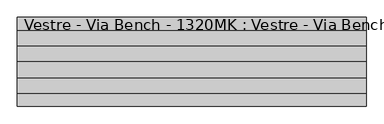
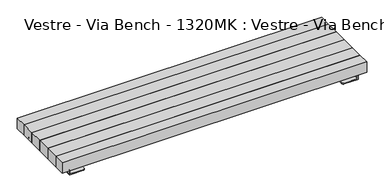
"""IFC4 building model written with IfcOpenShell, lengths in millimetres: furniture geometry, Vestre - Via Bench - 1320MK : Vestre - Via Bench - 1320MK."""

from ifc_helpers import new_model, si_unit, frame, origin, place, context, project, spatial, polyline, circle_curve, outline, extrude, source, transform, mapped, element, save
from ifc_brep_helpers import plane_surface, cylinder_surface, revolved_surface, advanced_brep


def vestre_via_bench_1320mk_vestre_via_bench_1320mk_e0580a3b(model_context):
    return source(origin(), model_context, "Body", "SolidModel", [
        extrude(outline(polyline([(1000.0, 0.0), (1000.0, -89.7651997), (-1000.0, -89.7651997), (-1000.0, 0.0), (1000.0, 0.0)])), frame((0.0, 0.0, 35.4441838), z_axis=(0.0, 0.0, 1.0), x_axis=(1.0, 0.0, 0.0)), (0.0, 0.0, 1.0), 72.0),
        extrude(outline(polyline([(1000.0, -89.7651997), (1000.0, -179.7651997), (-1000.0, -179.7651997), (-1000.0, -89.7651997), (1000.0, -89.7651997)])), frame((0.0, 0.0, 35.4441838), z_axis=(0.0, 0.0, 1.0), x_axis=(1.0, 0.0, 0.0)), (0.0, 0.0, 1.0), 72.0),
        extrude(outline(polyline([(1000.0, -179.7651997), (1000.0, -254.7651997), (-1000.0, -254.7651997), (-1000.0, -179.7651997), (1000.0, -179.7651997)])), frame((0.0, 0.0, 35.4441838), z_axis=(0.0, 0.0, 1.0), x_axis=(1.0, 0.0, 0.0)), (0.0, 0.0, 1.0), 72.0),
        advanced_brep(
        [(-856.6683314, -247.2000471, 5.0), (-846.6683314, -237.2000471, 5.0), (-846.6683314, 233.5, 5.0), (-856.6683314, 243.5, 5.0), (-944.1117586, 243.5, 5.0), (-944.1117586, -247.2000471, 5.0), (-856.6683314, 243.5, 0.0), (-846.6683314, 233.5, 0.0), (-846.6683314, -237.2000471, 0.0), (-856.6683314, -247.2000471, 0.0), (-944.1121369, -247.2000471, 0.0), (-944.1121369, 243.5, 0.0), (-949.9121369, 243.5, 5.8), (-949.9121369, 243.5, 29.6438055), (-950.7121369, 243.5, 30.4438055), (-979.9997479, 243.5, 30.4438055), (-979.9997479, 243.5, 35.4441838), (-950.7121369, 243.5, 35.4441838), (-944.9117586, 243.5, 29.6438055), (-944.9117586, 243.5, 5.8), (-944.9117586, -247.2000471, 5.8), (-944.9117586, -247.2000471, 29.6438055), (-950.7121369, -247.2000471, 35.4441838), (-979.9997479, -247.2000471, 35.4441838), (-979.9997479, -247.2000471, 30.4438055), (-950.7121369, -247.2000471, 30.4438055), (-949.9121369, -247.2000471, 29.6438055), (-949.9121369, -247.2000471, 5.8), (-950.7121369, 69.0931644, 35.4441838), (-950.7121369, 106.5067415, 35.4441838), (-950.7121369, 106.5067415, 30.4438055), (-950.7121369, 69.0931644, 30.4438055), (-950.7121369, 159.0931644, 35.4441838), (-950.7121369, 196.5067415, 35.4441838), (-950.7121369, 196.5067415, 30.4438055), (-950.7121369, 159.0931644, 30.4438055), (-950.7121369, -20.9068356, 35.4441838), (-950.7121369, 16.5067415, 35.4441838), (-950.7121369, 16.5067415, 30.4438055), (-950.7121369, -20.9068356, 30.4438055), (-950.7121369, -110.9068356, 35.4441838), (-950.7121369, -73.4932585, 35.4441838), (-950.7121369, -73.4932585, 30.4438055), (-950.7121369, -110.9068356, 30.4438055), (-950.7121369, -200.9068356, 35.4441838), (-950.7121369, -163.4932585, 35.4441838), (-950.7121369, -163.4932585, 30.4438055), (-950.7121369, -200.9068356, 30.4438055), (-979.9997479, 62.7999529, 35.4441838), (-989.9997479, 52.7999529, 35.4441838), (-989.9997479, 32.7999529, 35.4441838), (-979.9997479, 22.7999529, 35.4441838), (-959.9997479, 22.7999529, 35.4441838), (-959.9997479, 62.7999529, 35.4441838), (-959.9997479, 112.7999529, 35.4441838), (-959.9997479, 152.7999529, 35.4441838), (-979.9997479, 152.7999529, 35.4441838), (-989.9997479, 142.7999529, 35.4441838), (-989.9997479, 122.7999529, 35.4441838), (-979.9997479, 112.7999529, 35.4441838), (-959.9997479, 202.7999529, 35.4441838), (-989.9997479, 233.5, 35.4441838), (-989.9997479, 212.7999529, 35.4441838), (-979.9997479, 202.7999529, 35.4441838), (-979.9997479, -27.2000471, 35.4441838), (-989.9997479, -37.2000471, 35.4441838), (-989.9997479, -57.2000471, 35.4441838), (-979.9997479, -67.2000471, 35.4441838), (-959.9997479, -67.2000471, 35.4441838), (-959.9997479, -27.2000471, 35.4441838), (-979.9997479, -117.2000471, 35.4441838), (-989.9997479, -127.2000471, 35.4441838), (-989.9997479, -147.2000471, 35.4441838), (-979.9997479, -157.2000471, 35.4441838), (-959.9997479, -157.2000471, 35.4441838), (-959.9997479, -117.2000471, 35.4441838), (-979.9997479, -207.2000471, 35.4441838), (-989.9997479, -217.2000471, 35.4441838), (-989.9997479, -237.2000471, 35.4441838), (-959.9997479, -207.2000471, 35.4441838), (-979.9997479, 62.7999529, 30.4438055), (-959.9997479, 62.7999529, 30.4438055), (-959.9997479, 22.7999529, 30.4438055), (-979.9997479, 22.7999529, 30.4438055), (-989.9997479, 32.7999529, 30.4438055), (-989.9997479, 52.7999529, 30.4438055), (-959.9997479, 112.7999529, 30.4438055), (-979.9997479, 112.7999529, 30.4438055), (-989.9997479, 122.7999529, 30.4438055), (-989.9997479, 142.7999529, 30.4438055), (-979.9997479, 152.7999529, 30.4438055), (-959.9997479, 152.7999529, 30.4438055), (-959.9997479, 202.7999529, 30.4438055), (-979.9997479, 202.7999529, 30.4438055), (-989.9997479, 212.7999529, 30.4438055), (-989.9997479, 233.5, 30.4438055), (-979.9997479, -27.2000471, 30.4438055), (-959.9997479, -27.2000471, 30.4438055), (-959.9997479, -67.2000471, 30.4438055), (-979.9997479, -67.2000471, 30.4438055), (-989.9997479, -57.2000471, 30.4438055), (-989.9997479, -37.2000471, 30.4438055), (-979.9997479, -117.2000471, 30.4438055), (-959.9997479, -117.2000471, 30.4438055), (-959.9997479, -157.2000471, 30.4438055), (-979.9997479, -157.2000471, 30.4438055), (-989.9997479, -147.2000471, 30.4438055), (-989.9997479, -127.2000471, 30.4438055), (-979.9997479, -207.2000471, 30.4438055), (-959.9997479, -207.2000471, 30.4438055), (-989.9997479, -237.2000471, 30.4438055), (-989.9997479, -217.2000471, 30.4438055)],
        [
            (0, 1, circle_curve(frame((-856.6683314, -237.2000471, 5.0), z_axis=(0.0, 0.0, 1.0), x_axis=(1.0, 0.0, 0.0)), 10.0)),
            (1, 2),
            (2, 3, circle_curve(frame((-856.6683314, 233.5, 5.0), z_axis=(0.0, 0.0, 1.0), x_axis=(0.0, 1.0, 0.0)), 10.0)),
            (3, 4),
            (4, 5),
            (5, 0),
            (6, 7, circle_curve(frame((-856.6683314, 233.5, 0.0), z_axis=(0.0, 0.0, -1.0), x_axis=(0.0, 1.0, 0.0)), 10.0)),
            (7, 8),
            (8, 9, circle_curve(frame((-856.6683314, -237.2000471, 0.0), z_axis=(0.0, 0.0, -1.0), x_axis=(1.0, 0.0, 0.0)), 10.0)),
            (9, 10),
            (10, 11),
            (11, 6),
            (0, 9),
            (8, 1),
            (7, 2),
            (6, 3),
            (11, 12, circle_curve(frame((-944.1121369, 243.5, 5.8), z_axis=(0.0, 1.0, 0.0), x_axis=(1.0, 0.0, 0.0)), 5.8)),
            (12, 13),
            (13, 14, circle_curve(frame((-950.7121369, 243.5, 29.6438055), z_axis=(0.0, -1.0, 0.0), x_axis=(1.0, 0.0, 0.0)), 0.8)),
            (14, 15),
            (15, 16),
            (16, 17),
            (17, 18, circle_curve(frame((-950.7121369, 243.5, 29.6438055), z_axis=(0.0, 1.0, 0.0), x_axis=(1.0, 0.0, 0.0)), 5.8003783)),
            (18, 19),
            (19, 4, circle_curve(frame((-944.1117586, 243.5, 5.8), z_axis=(0.0, -1.0, 0.0), x_axis=(1.0, 0.0, 0.0)), 0.8)),
            (5, 20, circle_curve(frame((-944.1117586, -247.2000471, 5.8), z_axis=(0.0, 1.0, 0.0), x_axis=(1.0, 0.0, 0.0)), 0.8)),
            (20, 21),
            (21, 22, circle_curve(frame((-950.7121369, -247.2000471, 29.6438055), z_axis=(0.0, -1.0, 0.0), x_axis=(1.0, 0.0, 0.0)), 5.8003783)),
            (22, 23),
            (23, 24),
            (24, 25),
            (25, 26, circle_curve(frame((-950.7121369, -247.2000471, 29.6438055), z_axis=(0.0, 1.0, 0.0), x_axis=(1.0, 0.0, 0.0)), 0.8)),
            (26, 27),
            (27, 10, circle_curve(frame((-944.1121369, -247.2000471, 5.8), z_axis=(0.0, -1.0, 0.0), x_axis=(1.0, 0.0, 0.0)), 5.8)),
            (27, 12),
            (19, 20),
            (28, 29),
            (29, 30),
            (30, 31),
            (31, 28),
            (32, 33),
            (33, 34),
            (34, 35),
            (35, 32),
            (36, 37),
            (37, 38),
            (38, 39),
            (39, 36),
            (40, 41),
            (41, 42),
            (42, 43),
            (43, 40),
            (44, 45),
            (45, 46),
            (46, 47),
            (47, 44),
            (25, 47),
            (46, 43),
            (42, 39),
            (38, 31),
            (30, 35),
            (34, 14),
            (13, 26),
            (18, 21),
            (17, 33),
            (32, 29),
            (28, 37),
            (36, 41),
            (40, 45),
            (44, 22),
            (48, 49, circle_curve(frame((-979.9997479, 52.7999529, 35.4441838), z_axis=(0.0, 0.0, 1.0), x_axis=(-1.0, 0.0, 0.0)), 10.0)),
            (49, 50),
            (50, 51, circle_curve(frame((-979.9997479, 32.7999529, 35.4441838), z_axis=(0.0, 0.0, 1.0), x_axis=(0.0, -1.0, 0.0)), 10.0)),
            (51, 52),
            (52, 37, circle_curve(frame((-959.9997479, 12.7999529, 35.4441838), z_axis=(0.0, 0.0, -1.0), x_axis=(0.0, 1.0, 0.0)), 10.0)),
            (28, 53, circle_curve(frame((-959.9997479, 72.7999529, 35.4441838), z_axis=(0.0, 0.0, -1.0), x_axis=(0.9287611019613662, -0.3706788576160083, 0.0)), 10.0)),
            (53, 48),
            (54, 29, circle_curve(frame((-959.9997479, 102.7999529, 35.4441838), z_axis=(0.0, 0.0, -1.0), x_axis=(0.0, 1.0, 0.0)), 10.0)),
            (32, 55, circle_curve(frame((-959.9997479, 162.7999529, 35.4441838), z_axis=(0.0, 0.0, -1.0), x_axis=(0.928761101961394, -0.3706788576159382, 0.0)), 10.0)),
            (55, 56),
            (56, 57, circle_curve(frame((-979.9997479, 142.7999529, 35.4441838), z_axis=(0.0, 0.0, 1.0), x_axis=(-1.0, 0.0, 0.0)), 10.0)),
            (57, 58),
            (58, 59, circle_curve(frame((-979.9997479, 122.7999529, 35.4441838), z_axis=(0.0, 0.0, 1.0), x_axis=(0.0, -1.0, 0.0)), 10.0)),
            (59, 54),
            (60, 33, circle_curve(frame((-959.9997479, 192.7999529, 35.4441838), z_axis=(0.0, 0.0, -1.0), x_axis=(0.0, 1.0, 0.0)), 10.0)),
            (16, 61, circle_curve(frame((-979.9997479, 233.5, 35.4441838), z_axis=(0.0, 0.0, 1.0), x_axis=(-1.0, 0.0, 0.0)), 10.0)),
            (61, 62),
            (62, 63, circle_curve(frame((-979.9997479, 212.7999529, 35.4441838), z_axis=(0.0, 0.0, 1.0), x_axis=(0.0, -1.0, 0.0)), 10.0)),
            (63, 60),
            (64, 65, circle_curve(frame((-979.9997479, -37.2000471, 35.4441838), z_axis=(0.0, 0.0, 1.0), x_axis=(-1.0, 0.0, 0.0)), 10.0)),
            (65, 66),
            (66, 67, circle_curve(frame((-979.9997479, -57.2000471, 35.4441838), z_axis=(0.0, 0.0, 1.0), x_axis=(0.0, -1.0, 0.0)), 10.0)),
            (67, 68),
            (68, 41, circle_curve(frame((-959.9997479, -77.2000471, 35.4441838), z_axis=(0.0, 0.0, -1.0), x_axis=(0.0, 1.0, 0.0)), 10.0)),
            (36, 69, circle_curve(frame((-959.9997479, -17.2000471, 35.4441838), z_axis=(0.0, 0.0, -1.0), x_axis=(0.9287611019613382, -0.3706788576160784, 0.0)), 10.0)),
            (69, 64),
            (70, 71, circle_curve(frame((-979.9997479, -127.2000471, 35.4441838), z_axis=(0.0, 0.0, 1.0), x_axis=(-1.0, 0.0, 0.0)), 10.0)),
            (71, 72),
            (72, 73, circle_curve(frame((-979.9997479, -147.2000471, 35.4441838), z_axis=(0.0, 0.0, 1.0), x_axis=(0.0, -1.0, 0.0)), 10.0)),
            (73, 74),
            (74, 45, circle_curve(frame((-959.9997479, -167.2000471, 35.4441838), z_axis=(0.0, 0.0, -1.0), x_axis=(0.0, 1.0, 0.0)), 10.0)),
            (40, 75, circle_curve(frame((-959.9997479, -107.2000471, 35.4441838), z_axis=(0.0, 0.0, -1.0), x_axis=(0.9287611019613643, -0.37067885761601305, 0.0)), 10.0)),
            (75, 70),
            (76, 77, circle_curve(frame((-979.9997479, -217.2000471, 35.4441838), z_axis=(0.0, 0.0, 1.0), x_axis=(-1.0, 0.0, 0.0)), 10.0)),
            (77, 78),
            (78, 23, circle_curve(frame((-979.9997479, -237.2000471, 35.4441838), z_axis=(0.0, 0.0, 1.0), x_axis=(0.0, -1.0, 0.0)), 10.0)),
            (44, 79, circle_curve(frame((-959.9997479, -197.2000471, 35.4441838), z_axis=(0.0, 0.0, -1.0), x_axis=(0.9287611019613456, -0.37067885761605973, 0.0)), 10.0)),
            (79, 76),
            (80, 81),
            (81, 31, circle_curve(frame((-959.9997479, 72.7999529, 30.4438055), z_axis=(0.0, 0.0, 1.0), x_axis=(0.9287611019613662, -0.3706788576160083, 0.0)), 10.0)),
            (38, 82, circle_curve(frame((-959.9997479, 12.7999529, 30.4438055), z_axis=(0.0, 0.0, 1.0), x_axis=(0.0, 1.0, 0.0)), 10.0)),
            (82, 83),
            (83, 84, circle_curve(frame((-979.9997479, 32.7999529, 30.4438055), z_axis=(0.0, 0.0, -1.0), x_axis=(0.0, -1.0, 0.0)), 10.0)),
            (84, 85),
            (85, 80, circle_curve(frame((-979.9997479, 52.7999529, 30.4438055), z_axis=(0.0, 0.0, -1.0), x_axis=(-1.0, 0.0, 0.0)), 10.0)),
            (86, 87),
            (87, 88, circle_curve(frame((-979.9997479, 122.7999529, 30.4438055), z_axis=(0.0, 0.0, -1.0), x_axis=(0.0, -1.0, 0.0)), 10.0)),
            (88, 89),
            (89, 90, circle_curve(frame((-979.9997479, 142.7999529, 30.4438055), z_axis=(0.0, 0.0, -1.0), x_axis=(-1.0, 0.0, 0.0)), 10.0)),
            (90, 91),
            (91, 35, circle_curve(frame((-959.9997479, 162.7999529, 30.4438055), z_axis=(0.0, 0.0, 1.0), x_axis=(0.928761101961394, -0.3706788576159382, 0.0)), 10.0)),
            (30, 86, circle_curve(frame((-959.9997479, 102.7999529, 30.4438055), z_axis=(0.0, 0.0, 1.0), x_axis=(0.0, 1.0, 0.0)), 10.0)),
            (92, 93),
            (93, 94, circle_curve(frame((-979.9997479, 212.7999529, 30.4438055), z_axis=(0.0, 0.0, -1.0), x_axis=(0.0, -1.0, 0.0)), 10.0)),
            (94, 95),
            (95, 15, circle_curve(frame((-979.9997479, 233.5, 30.4438055), z_axis=(0.0, 0.0, -1.0), x_axis=(-1.0, 0.0, 0.0)), 10.0)),
            (34, 92, circle_curve(frame((-959.9997479, 192.7999529, 30.4438055), z_axis=(0.0, 0.0, 1.0), x_axis=(0.0, 1.0, 0.0)), 10.0)),
            (96, 97),
            (97, 39, circle_curve(frame((-959.9997479, -17.2000471, 30.4438055), z_axis=(0.0, 0.0, 1.0), x_axis=(0.9287611019613382, -0.3706788576160784, 0.0)), 10.0)),
            (42, 98, circle_curve(frame((-959.9997479, -77.2000471, 30.4438055), z_axis=(0.0, 0.0, 1.0), x_axis=(0.0, 1.0, 0.0)), 10.0)),
            (98, 99),
            (99, 100, circle_curve(frame((-979.9997479, -57.2000471, 30.4438055), z_axis=(0.0, 0.0, -1.0), x_axis=(0.0, -1.0, 0.0)), 10.0)),
            (100, 101),
            (101, 96, circle_curve(frame((-979.9997479, -37.2000471, 30.4438055), z_axis=(0.0, 0.0, -1.0), x_axis=(-1.0, 0.0, 0.0)), 10.0)),
            (102, 103),
            (103, 43, circle_curve(frame((-959.9997479, -107.2000471, 30.4438055), z_axis=(0.0, 0.0, 1.0), x_axis=(0.9287611019613643, -0.37067885761601305, 0.0)), 10.0)),
            (46, 104, circle_curve(frame((-959.9997479, -167.2000471, 30.4438055), z_axis=(0.0, 0.0, 1.0), x_axis=(0.0, 1.0, 0.0)), 10.0)),
            (104, 105),
            (105, 106, circle_curve(frame((-979.9997479, -147.2000471, 30.4438055), z_axis=(0.0, 0.0, -1.0), x_axis=(0.0, -1.0, 0.0)), 10.0)),
            (106, 107),
            (107, 102, circle_curve(frame((-979.9997479, -127.2000471, 30.4438055), z_axis=(0.0, 0.0, -1.0), x_axis=(-1.0, 0.0, 0.0)), 10.0)),
            (108, 109),
            (109, 47, circle_curve(frame((-959.9997479, -197.2000471, 30.4438055), z_axis=(0.0, 0.0, 1.0), x_axis=(0.9287611019613456, -0.37067885761605973, 0.0)), 10.0)),
            (24, 110, circle_curve(frame((-979.9997479, -237.2000471, 30.4438055), z_axis=(0.0, 0.0, -1.0), x_axis=(0.0, -1.0, 0.0)), 10.0)),
            (110, 111),
            (111, 108, circle_curve(frame((-979.9997479, -217.2000471, 30.4438055), z_axis=(0.0, 0.0, -1.0), x_axis=(-1.0, 0.0, 0.0)), 10.0)),
            (48, 80),
            (85, 49),
            (84, 50),
            (83, 51),
            (82, 52),
            (81, 53),
            (54, 86),
            (91, 55),
            (90, 56),
            (89, 57),
            (88, 58),
            (87, 59),
            (60, 92),
            (95, 61),
            (94, 62),
            (93, 63),
            (64, 96),
            (101, 65),
            (100, 66),
            (99, 67),
            (98, 68),
            (97, 69),
            (70, 102),
            (107, 71),
            (106, 72),
            (105, 73),
            (104, 74),
            (103, 75),
            (76, 108),
            (111, 77),
            (110, 78),
            (109, 79),
        ],
        [
            plane_surface(frame((-846.6683314, -237.2000471, 5.0), z_axis=(0.0, 0.0, 1.0), x_axis=(0.0, 1.0, 0.0))),
            plane_surface(frame((-846.6683314, -237.2000471, 0.0), z_axis=(0.0, 0.0, -1.0), x_axis=(0.0, -1.0, 0.0))),
            cylinder_surface(frame((-856.6683314, -237.2000471, 0.0), z_axis=(0.0, 0.0, 1.0), x_axis=(1.0, 0.0, 0.0)), 10.0),
            plane_surface(frame((-846.6683314, -237.2000471, 5.0), z_axis=(1.0, 0.0, 0.0), x_axis=(0.0, 0.0, -1.0))),
            cylinder_surface(frame((-856.6683314, 233.5, 0.0), z_axis=(0.0, 0.0, 1.0), x_axis=(0.0, 1.0, 0.0)), 10.0),
            plane_surface(frame((-856.6683314, 243.5, 5.0), z_axis=(0.0, 1.0, 0.0), x_axis=(0.0, 0.0, -1.0))),
            plane_surface(frame((-940.7121369, -247.2000471, 5.0), z_axis=(0.0, -1.0, 0.0), x_axis=(0.0, 0.0, -1.0))),
            cylinder_surface(frame((-944.1121369, 243.5, 5.8), z_axis=(0.0, -1.0, 0.0), x_axis=(1.0, 0.0, 0.0)), 5.8),
            revolved_surface(polyline([(-943.3117586000001, 243.5, 5.8), (-943.3117586000001, -247.2000471, 5.8)]), (-944.1117586, 243.5, 5.8), (0.0, 1.0, 0.0)),
            plane_surface(frame((-950.7121369, -247.2000471, 35.4441838), z_axis=(-1.0, 0.0, 0.0), x_axis=(0.0, 1.0, 0.0))),
            revolved_surface(polyline([(-949.9121369000001, 243.5, 29.6438055), (-949.9121369000001, -247.2000471, 29.6438055)]), (-950.7121369, 243.5, 29.6438055), (0.0, 1.0, 0.0)),
            plane_surface(frame((-949.9121369, -247.2000471, 29.6438055), z_axis=(-1.0, 0.0, 0.0), x_axis=(0.0, 1.0, 0.0))),
            plane_surface(frame((-944.9117586, -247.2000471, 5.8), z_axis=(1.0, 0.0, 0.0), x_axis=(0.0, 1.0, 0.0))),
            cylinder_surface(frame((-950.7121369, 243.5, 29.6438055), z_axis=(0.0, -1.0, 0.0), x_axis=(1.0, 0.0, 0.0)), 5.8003783),
            plane_surface(frame((-989.9997479, 52.7999529, 35.4441838), z_axis=(0.0, 0.0, 1.0), x_axis=(0.0, -1.0, 0.0))),
            plane_surface(frame((-989.9997479, 52.7999529, 30.4438055), z_axis=(0.0, 0.0, -1.0), x_axis=(0.0, 1.0, 0.0))),
            cylinder_surface(frame((-979.9997479, 52.7999529, 30.4438055), z_axis=(0.0, 0.0, 1.0), x_axis=(-1.0, 0.0, 0.0)), 10.0),
            plane_surface(frame((-989.9997479, 52.7999529, 35.4441838), z_axis=(-1.0, 0.0, 0.0), x_axis=(0.0, 0.0, -1.0))),
            cylinder_surface(frame((-979.9997479, 32.7999529, 30.4438055), z_axis=(0.0, 0.0, 1.0), x_axis=(0.0, -1.0, 0.0)), 10.0),
            plane_surface(frame((-979.9997479, 22.7999529, 35.4441838), z_axis=(0.0, -1.0, 0.0), x_axis=(0.0, 0.0, -1.0))),
            revolved_surface(polyline([(-959.9997479, 22.7999529, 30.4438055), (-959.9997479, 22.7999529, 35.4441838)]), (-959.9997479, 12.7999529, 30.4438055), (0.0, 0.0, -1.0)),
            revolved_surface(polyline([(-950.7121368803863, 69.09316432383991, 30.4438055), (-950.7121368803863, 69.09316432383991, 35.4441838)]), (-959.9997479, 72.7999529, 30.4438055), (0.0, 0.0, -1.0000000000000002)),
            plane_surface(frame((-959.9997479, 62.7999529, 35.4441838), z_axis=(0.0, 1.0, 0.0), x_axis=(0.0, 0.0, -1.0))),
            revolved_surface(polyline([(-959.9997479, 112.7999529, 30.443805499999996), (-959.9997479, 112.7999529, 35.44418380000002)]), (-959.9997479, 102.7999529, -342.5561945), (0.0, 0.0, -1.0)),
            revolved_surface(polyline([(-950.7121368803861, 159.09316432384063, 30.443805499999996), (-950.7121368803861, 159.09316432384063, 35.44418380000002)]), (-959.9997479, 162.7999529, -342.5561945), (0.0, 0.0, -1.0)),
            plane_surface(frame((-959.9997479, 152.7999529, 35.4441838), z_axis=(0.0, 1.0, 0.0), x_axis=(0.0, 0.0, -1.0))),
            cylinder_surface(frame((-979.9997479, 142.7999529, -342.5561945), z_axis=(0.0, 0.0, 1.0), x_axis=(-1.0, 0.0, 0.0)), 10.0),
            plane_surface(frame((-989.9997479, 142.7999529, 35.4441838), z_axis=(-1.0, 0.0, 0.0), x_axis=(0.0, 0.0, -1.0))),
            cylinder_surface(frame((-979.9997479, 122.7999529, -342.5561945), z_axis=(0.0, 0.0, 1.0), x_axis=(0.0, -1.0, 0.0)), 10.0),
            plane_surface(frame((-979.9997479, 112.7999529, 35.4441838), z_axis=(0.0, -1.0, 0.0), x_axis=(0.0, 0.0, -1.0))),
            revolved_surface(polyline([(-959.9997479, 202.7999529, 30.443805499999996), (-959.9997479, 202.7999529, 35.44418380000002)]), (-959.9997479, 192.7999529, -342.5561945), (0.0, 0.0, -1.0)),
            cylinder_surface(frame((-979.9997479, 233.5, -342.5561945), z_axis=(0.0, 0.0, 1.0), x_axis=(-1.0, 0.0, 0.0)), 10.0),
            plane_surface(frame((-989.9997479, 233.5, 35.4441838), z_axis=(-1.0, 0.0, 0.0), x_axis=(0.0, 0.0, -1.0))),
            cylinder_surface(frame((-979.9997479, 212.7999529, -342.5561945), z_axis=(0.0, 0.0, 1.0), x_axis=(0.0, -1.0, 0.0)), 10.0),
            plane_surface(frame((-979.9997479, 202.7999529, 35.4441838), z_axis=(0.0, -1.0, 0.0), x_axis=(0.0, 0.0, -1.0))),
            cylinder_surface(frame((-979.9997479, -37.2000471, -342.5561945), z_axis=(0.0, 0.0, 1.0), x_axis=(-1.0, 0.0, 0.0)), 10.0),
            plane_surface(frame((-989.9997479, -37.2000471, 35.4441838), z_axis=(-1.0, 0.0, 0.0), x_axis=(0.0, 0.0, -1.0))),
            cylinder_surface(frame((-979.9997479, -57.2000471, -342.5561945), z_axis=(0.0, 0.0, 1.0), x_axis=(0.0, -1.0, 0.0)), 10.0),
            plane_surface(frame((-979.9997479, -67.2000471, 35.4441838), z_axis=(0.0, -1.0, 0.0), x_axis=(0.0, 0.0, -1.0))),
            revolved_surface(polyline([(-959.9997479, -67.2000471, 30.443805499999996), (-959.9997479, -67.2000471, 35.44418380000002)]), (-959.9997479, -77.2000471, -342.5561945), (0.0, 0.0, -1.0)),
            revolved_surface(polyline([(-950.7121368803867, -20.90683567616078, 30.44380550000011), (-950.7121368803867, -20.90683567616078, 35.44418380000013)]), (-959.9997479, -17.2000471, -342.5561945), (0.0, 0.0, -1.0000000000000002)),
            plane_surface(frame((-959.9997479, -27.2000471, 35.4441838), z_axis=(0.0, 1.0, 0.0), x_axis=(0.0, 0.0, -1.0))),
            cylinder_surface(frame((-979.9997479, -127.2000471, -342.5561945), z_axis=(0.0, 0.0, 1.0), x_axis=(-1.0, 0.0, 0.0)), 10.0),
            plane_surface(frame((-989.9997479, -127.2000471, 35.4441838), z_axis=(-1.0, 0.0, 0.0), x_axis=(0.0, 0.0, -1.0))),
            cylinder_surface(frame((-979.9997479, -147.2000471, -342.5561945), z_axis=(0.0, 0.0, 1.0), x_axis=(0.0, -1.0, 0.0)), 10.0),
            plane_surface(frame((-979.9997479, -157.2000471, 35.4441838), z_axis=(0.0, -1.0, 0.0), x_axis=(0.0, 0.0, -1.0))),
            revolved_surface(polyline([(-959.9997479, -157.2000471, 30.443805499999996), (-959.9997479, -157.2000471, 35.44418380000002)]), (-959.9997479, -167.2000471, -342.5561945), (0.0, 0.0, -1.0)),
            revolved_surface(polyline([(-950.7121368803863, -110.90683567616014, 30.44380550000011), (-950.7121368803863, -110.90683567616014, 35.44418380000013)]), (-959.9997479, -107.2000471, -342.5561945), (0.0, 0.0, -1.0000000000000002)),
            plane_surface(frame((-959.9997479, -117.2000471, 35.4441838), z_axis=(0.0, 1.0, 0.0), x_axis=(0.0, 0.0, -1.0))),
            cylinder_surface(frame((-979.9997479, -217.2000471, -342.5561945), z_axis=(0.0, 0.0, 1.0), x_axis=(-1.0, 0.0, 0.0)), 10.0),
            plane_surface(frame((-989.9997479, -217.2000471, 35.4441838), z_axis=(-1.0, 0.0, 0.0), x_axis=(0.0, 0.0, -1.0))),
            cylinder_surface(frame((-979.9997479, -237.2000471, -342.5561945), z_axis=(0.0, 0.0, 1.0), x_axis=(0.0, -1.0, 0.0)), 10.0),
            revolved_surface(polyline([(-950.7121368803865, -200.9068356761606, 30.44380550000011), (-950.7121368803865, -200.9068356761606, 35.44418380000013)]), (-959.9997479, -197.2000471, -342.5561945), (0.0, 0.0, -1.0000000000000002)),
            plane_surface(frame((-959.9997479, -207.2000471, 35.4441838), z_axis=(0.0, 1.0, 0.0), x_axis=(0.0, 0.0, -1.0))),
        ],
        [
            (0, [[1, 2, 3, 4, 5, 6]]),
            (1, [[7, 8, 9, 10, 11, 12]]),
            (2, [[-1, 13, -9, 14]]),
            (3, [[-2, -14, -8, 15]]),
            (4, [[-3, -15, -7, 16]]),
            (5, [[-16, -12, 17, 18, 19, 20, 21, 22, 23, 24, 25, -4]]),
            (6, [[-13, -6, 26, 27, 28, 29, 30, 31, 32, 33, 34, -10]]),
            (7, [[-34, 35, -17, -11]]),
            (8, [[-26, -5, -25, 36]]),
            (9, [[37, 38, 39, 40]]),
            (9, [[41, 42, 43, 44]]),
            (9, [[45, 46, 47, 48]]),
            (9, [[49, 50, 51, 52]]),
            (9, [[53, 54, 55, 56]]),
            (10, [[-32, 57, -55, 58, -51, 59, -47, 60, -39, 61, -43, 62, -19, 63]]),
            (11, [[-33, -63, -18, -35]]),
            (12, [[-27, -36, -24, 64]]),
            (13, [[-28, -64, -23, 65, -41, 66, -37, 67, -45, 68, -49, 69, -53, 70]]),
            (14, [[71, 72, 73, 74, 75, -67, 76, 77]]),
            (14, [[78, -66, 79, 80, 81, 82, 83, 84]]),
            (14, [[85, -65, -22, 86, 87, 88, 89]]),
            (14, [[90, 91, 92, 93, 94, -68, 95, 96]]),
            (14, [[97, 98, 99, 100, 101, -69, 102, 103]]),
            (14, [[104, 105, 106, -29, -70, 107, 108]]),
            (15, [[109, 110, -60, 111, 112, 113, 114, 115]]),
            (15, [[116, 117, 118, 119, 120, 121, -61, 122]]),
            (15, [[123, 124, 125, 126, -20, -62, 127]]),
            (15, [[128, 129, -59, 130, 131, 132, 133, 134]]),
            (15, [[135, 136, -58, 137, 138, 139, 140, 141]]),
            (15, [[142, 143, -57, -31, 144, 145, 146]]),
            (16, [[-71, 147, -115, 148]]),
            (17, [[-72, -148, -114, 149]]),
            (18, [[-73, -149, -113, 150]]),
            (19, [[-74, -150, -112, 151]]),
            (20, [[-75, -151, -111, -46]]),
            (21, [[-76, -40, -110, 152]]),
            (22, [[-77, -152, -109, -147]]),
            (23, [[-78, 153, -122, -38]]),
            (24, [[-79, -44, -121, 154]]),
            (25, [[-80, -154, -120, 155]]),
            (26, [[-81, -155, -119, 156]]),
            (27, [[-82, -156, -118, 157]]),
            (28, [[-83, -157, -117, 158]]),
            (29, [[-84, -158, -116, -153]]),
            (30, [[-85, 159, -127, -42]]),
            (31, [[-86, -21, -126, 160]]),
            (32, [[-87, -160, -125, 161]]),
            (33, [[-88, -161, -124, 162]]),
            (34, [[-89, -162, -123, -159]]),
            (35, [[-90, 163, -134, 164]]),
            (36, [[-91, -164, -133, 165]]),
            (37, [[-92, -165, -132, 166]]),
            (38, [[-93, -166, -131, 167]]),
            (39, [[-94, -167, -130, -50]]),
            (40, [[-95, -48, -129, 168]]),
            (41, [[-96, -168, -128, -163]]),
            (42, [[-97, 169, -141, 170]]),
            (43, [[-98, -170, -140, 171]]),
            (44, [[-99, -171, -139, 172]]),
            (45, [[-100, -172, -138, 173]]),
            (46, [[-101, -173, -137, -54]]),
            (47, [[-102, -52, -136, 174]]),
            (48, [[-103, -174, -135, -169]]),
            (49, [[-104, 175, -146, 176]]),
            (50, [[-105, -176, -145, 177]]),
            (51, [[-106, -177, -144, -30]]),
            (52, [[-107, -56, -143, 178]]),
            (53, [[-108, -178, -142, -175]]),
        ],
    ),
        advanced_brep(
        [(979.9997479, 62.7999529, 35.4441838), (959.9997479, 62.7999529, 35.4441838), (950.7121369, 69.0931644, 35.4441838), (950.7121369, 16.5067415, 35.4441838), (959.9997479, 22.7999529, 35.4441838), (979.9997479, 22.7999529, 35.4441838), (989.9997479, 32.7999529, 35.4441838), (989.9997479, 52.7999529, 35.4441838), (959.9997479, 112.7999529, 35.4441838), (979.9997479, 112.7999529, 35.4441838), (989.9997479, 122.7999529, 35.4441838), (989.9997479, 142.7999529, 35.4441838), (979.9997479, 152.7999529, 35.4441838), (959.9997479, 152.7999529, 35.4441838), (950.7121369, 159.0931644, 35.4441838), (950.7121369, 106.5067415, 35.4441838), (959.9997479, 202.7999529, 35.4441838), (979.9997479, 202.7999529, 35.4441838), (989.9997479, 212.7999529, 35.4441838), (989.9997479, 233.5, 35.4441838), (979.9997479, 243.5, 35.4441838), (950.7121369, 243.5, 35.4441838), (950.7121369, 196.5067415, 35.4441838), (979.9997479, -27.2000471, 35.4441838), (959.9997479, -27.2000471, 35.4441838), (950.7121369, -20.9068356, 35.4441838), (950.7121369, -73.4932585, 35.4441838), (959.9997479, -67.2000471, 35.4441838), (979.9997479, -67.2000471, 35.4441838), (989.9997479, -57.2000471, 35.4441838), (989.9997479, -37.2000471, 35.4441838), (979.9997479, -117.2000471, 35.4441838), (959.9997479, -117.2000471, 35.4441838), (950.7121369, -110.9068356, 35.4441838), (950.7121369, -163.4932585, 35.4441838), (959.9997479, -157.2000471, 35.4441838), (979.9997479, -157.2000471, 35.4441838), (989.9997479, -147.2000471, 35.4441838), (989.9997479, -127.2000471, 35.4441838), (979.9997479, -207.2000471, 35.4441838), (959.9997479, -207.2000471, 35.4441838), (950.7121369, -200.9068356, 35.4441838), (950.7121369, -247.2000471, 35.4441838), (979.9997479, -247.2000471, 35.4441838), (989.9997479, -237.2000471, 35.4441838), (989.9997479, -217.2000471, 35.4441838), (979.9997479, 62.7999529, 30.4438055), (989.9997479, 52.7999529, 30.4438055), (989.9997479, 32.7999529, 30.4438055), (979.9997479, 22.7999529, 30.4438055), (959.9997479, 22.7999529, 30.4438055), (950.7121369, 16.5067415, 30.4438055), (950.7121369, 69.0931644, 30.4438055), (959.9997479, 62.7999529, 30.4438055), (959.9997479, 112.7999529, 30.4438055), (950.7121369, 106.5067415, 30.4438055), (950.7121369, 159.0931644, 30.4438055), (959.9997479, 152.7999529, 30.4438055), (979.9997479, 152.7999529, 30.4438055), (989.9997479, 142.7999529, 30.4438055), (989.9997479, 122.7999529, 30.4438055), (979.9997479, 112.7999529, 30.4438055), (959.9997479, 202.7999529, 30.4438055), (950.7121369, 196.5067415, 30.4438055), (950.7121369, 243.5, 30.4438055), (979.9997479, 243.5, 30.4438055), (989.9997479, 233.5, 30.4438055), (989.9997479, 212.7999529, 30.4438055), (979.9997479, 202.7999529, 30.4438055), (979.9997479, -27.2000471, 30.4438055), (989.9997479, -37.2000471, 30.4438055), (989.9997479, -57.2000471, 30.4438055), (979.9997479, -67.2000471, 30.4438055), (959.9997479, -67.2000471, 30.4438055), (950.7121369, -73.4932585, 30.4438055), (950.7121369, -20.9068356, 30.4438055), (959.9997479, -27.2000471, 30.4438055), (979.9997479, -117.2000471, 30.4438055), (989.9997479, -127.2000471, 30.4438055), (989.9997479, -147.2000471, 30.4438055), (979.9997479, -157.2000471, 30.4438055), (959.9997479, -157.2000471, 30.4438055), (950.7121369, -163.4932585, 30.4438055), (950.7121369, -110.9068356, 30.4438055), (959.9997479, -117.2000471, 30.4438055), (979.9997479, -207.2000471, 30.4438055), (989.9997479, -217.2000471, 30.4438055), (989.9997479, -237.2000471, 30.4438055), (979.9997479, -247.2000471, 30.4438055), (950.7121369, -247.2000471, 30.4438055), (950.7121369, -200.9068356, 30.4438055), (959.9997479, -207.2000471, 30.4438055), (949.9121369, 243.5, 29.6438055), (949.9121369, 243.5, 5.8), (944.1121369, 243.5, 0.0), (856.6683314, 243.5, 0.0), (856.6683314, 243.5, 5.0), (944.1117586, 243.5, 5.0), (944.9117586, 243.5, 5.8), (944.9117586, 243.5, 29.6438055), (944.9117586, -247.2000471, 29.6438055), (944.9117586, -247.2000471, 5.8), (944.1117586, -247.2000471, 5.0), (856.6683314, -247.2000471, 5.0), (856.6683314, -247.2000471, 0.0), (944.1121369, -247.2000471, 0.0), (949.9121369, -247.2000471, 5.8), (949.9121369, -247.2000471, 29.6438055), (846.6683314, -237.2000471, 0.0), (846.6683314, 233.5, 0.0), (846.6683314, 233.5, 5.0), (846.6683314, -237.2000471, 5.0)],
        [
            (0, 1),
            (1, 2, circle_curve(frame((959.9997479, 72.7999529, 35.4441838), z_axis=(0.0, 0.0, -1.0), x_axis=(-0.9287611019613662, -0.3706788576160083, 0.0)), 10.0)),
            (2, 3),
            (3, 4, circle_curve(frame((959.9997479, 12.7999529, 35.4441838), z_axis=(0.0, 0.0, -1.0), x_axis=(0.0, 1.0, 0.0)), 10.0)),
            (4, 5),
            (5, 6, circle_curve(frame((979.9997479, 32.7999529, 35.4441838), z_axis=(0.0, 0.0, 1.0), x_axis=(0.0, -1.0, 0.0)), 10.0)),
            (6, 7),
            (7, 0, circle_curve(frame((979.9997479, 52.7999529, 35.4441838), z_axis=(0.0, 0.0, 1.0), x_axis=(1.0, 0.0, 0.0)), 10.0)),
            (8, 9),
            (9, 10, circle_curve(frame((979.9997479, 122.7999529, 35.4441838), z_axis=(0.0, 0.0, 1.0), x_axis=(0.0, -1.0, 0.0)), 10.0)),
            (10, 11),
            (11, 12, circle_curve(frame((979.9997479, 142.7999529, 35.4441838), z_axis=(0.0, 0.0, 1.0), x_axis=(1.0, 0.0, 0.0)), 10.0)),
            (12, 13),
            (13, 14, circle_curve(frame((959.9997479, 162.7999529, 35.4441838), z_axis=(0.0, 0.0, -1.0), x_axis=(-0.928761101961394, -0.3706788576159382, 0.0)), 10.0)),
            (14, 15),
            (15, 8, circle_curve(frame((959.9997479, 102.7999529, 35.4441838), z_axis=(0.0, 0.0, -1.0), x_axis=(0.0, 1.0, 0.0)), 10.0)),
            (16, 17),
            (17, 18, circle_curve(frame((979.9997479, 212.7999529, 35.4441838), z_axis=(0.0, 0.0, 1.0), x_axis=(0.0, -1.0, 0.0)), 10.0)),
            (18, 19),
            (19, 20, circle_curve(frame((979.9997479, 233.5, 35.4441838), z_axis=(0.0, 0.0, 1.0), x_axis=(1.0, 0.0, 0.0)), 10.0)),
            (20, 21),
            (21, 22),
            (22, 16, circle_curve(frame((959.9997479, 192.7999529, 35.4441838), z_axis=(0.0, 0.0, -1.0), x_axis=(0.0, 1.0, 0.0)), 10.0)),
            (23, 24),
            (24, 25, circle_curve(frame((959.9997479, -17.2000471, 35.4441838), z_axis=(0.0, 0.0, -1.0), x_axis=(-0.9287611019613382, -0.3706788576160784, 0.0)), 10.0)),
            (25, 26),
            (26, 27, circle_curve(frame((959.9997479, -77.2000471, 35.4441838), z_axis=(0.0, 0.0, -1.0), x_axis=(0.0, 1.0, 0.0)), 10.0)),
            (27, 28),
            (28, 29, circle_curve(frame((979.9997479, -57.2000471, 35.4441838), z_axis=(0.0, 0.0, 1.0), x_axis=(0.0, -1.0, 0.0)), 10.0)),
            (29, 30),
            (30, 23, circle_curve(frame((979.9997479, -37.2000471, 35.4441838), z_axis=(0.0, 0.0, 1.0), x_axis=(1.0, 0.0, 0.0)), 10.0)),
            (31, 32),
            (32, 33, circle_curve(frame((959.9997479, -107.2000471, 35.4441838), z_axis=(0.0, 0.0, -1.0), x_axis=(-0.9287611019613643, -0.37067885761601305, 0.0)), 10.0)),
            (33, 34),
            (34, 35, circle_curve(frame((959.9997479, -167.2000471, 35.4441838), z_axis=(0.0, 0.0, -1.0), x_axis=(0.0, 1.0, 0.0)), 10.0)),
            (35, 36),
            (36, 37, circle_curve(frame((979.9997479, -147.2000471, 35.4441838), z_axis=(0.0, 0.0, 1.0), x_axis=(0.0, -1.0, 0.0)), 10.0)),
            (37, 38),
            (38, 31, circle_curve(frame((979.9997479, -127.2000471, 35.4441838), z_axis=(0.0, 0.0, 1.0), x_axis=(1.0, 0.0, 0.0)), 10.0)),
            (39, 40),
            (40, 41, circle_curve(frame((959.9997479, -197.2000471, 35.4441838), z_axis=(0.0, 0.0, -1.0), x_axis=(-0.9287611019613456, -0.37067885761605973, 0.0)), 10.0)),
            (41, 42),
            (42, 43),
            (43, 44, circle_curve(frame((979.9997479, -237.2000471, 35.4441838), z_axis=(0.0, 0.0, 1.0), x_axis=(0.0, -1.0, 0.0)), 10.0)),
            (44, 45),
            (45, 39, circle_curve(frame((979.9997479, -217.2000471, 35.4441838), z_axis=(0.0, 0.0, 1.0), x_axis=(1.0, 0.0, 0.0)), 10.0)),
            (46, 47, circle_curve(frame((979.9997479, 52.7999529, 30.4438055), z_axis=(0.0, 0.0, -1.0), x_axis=(1.0, 0.0, 0.0)), 10.0)),
            (47, 48),
            (48, 49, circle_curve(frame((979.9997479, 32.7999529, 30.4438055), z_axis=(0.0, 0.0, -1.0), x_axis=(0.0, -1.0, 0.0)), 10.0)),
            (49, 50),
            (50, 51, circle_curve(frame((959.9997479, 12.7999529, 30.4438055), z_axis=(0.0, 0.0, 1.0), x_axis=(0.0, 1.0, 0.0)), 10.0)),
            (51, 52),
            (52, 53, circle_curve(frame((959.9997479, 72.7999529, 30.4438055), z_axis=(0.0, 0.0, 1.0), x_axis=(-0.9287611019613662, -0.3706788576160083, 0.0)), 10.0)),
            (53, 46),
            (54, 55, circle_curve(frame((959.9997479, 102.7999529, 30.4438055), z_axis=(0.0, 0.0, 1.0), x_axis=(0.0, 1.0, 0.0)), 10.0)),
            (55, 56),
            (56, 57, circle_curve(frame((959.9997479, 162.7999529, 30.4438055), z_axis=(0.0, 0.0, 1.0), x_axis=(-0.928761101961394, -0.3706788576159382, 0.0)), 10.0)),
            (57, 58),
            (58, 59, circle_curve(frame((979.9997479, 142.7999529, 30.4438055), z_axis=(0.0, 0.0, -1.0), x_axis=(1.0, 0.0, 0.0)), 10.0)),
            (59, 60),
            (60, 61, circle_curve(frame((979.9997479, 122.7999529, 30.4438055), z_axis=(0.0, 0.0, -1.0), x_axis=(0.0, -1.0, 0.0)), 10.0)),
            (61, 54),
            (62, 63, circle_curve(frame((959.9997479, 192.7999529, 30.4438055), z_axis=(0.0, 0.0, 1.0), x_axis=(0.0, 1.0, 0.0)), 10.0)),
            (63, 64),
            (64, 65),
            (65, 66, circle_curve(frame((979.9997479, 233.5, 30.4438055), z_axis=(0.0, 0.0, -1.0), x_axis=(1.0, 0.0, 0.0)), 10.0)),
            (66, 67),
            (67, 68, circle_curve(frame((979.9997479, 212.7999529, 30.4438055), z_axis=(0.0, 0.0, -1.0), x_axis=(0.0, -1.0, 0.0)), 10.0)),
            (68, 62),
            (69, 70, circle_curve(frame((979.9997479, -37.2000471, 30.4438055), z_axis=(0.0, 0.0, -1.0), x_axis=(1.0, 0.0, 0.0)), 10.0)),
            (70, 71),
            (71, 72, circle_curve(frame((979.9997479, -57.2000471, 30.4438055), z_axis=(0.0, 0.0, -1.0), x_axis=(0.0, -1.0, 0.0)), 10.0)),
            (72, 73),
            (73, 74, circle_curve(frame((959.9997479, -77.2000471, 30.4438055), z_axis=(0.0, 0.0, 1.0), x_axis=(0.0, 1.0, 0.0)), 10.0)),
            (74, 75),
            (75, 76, circle_curve(frame((959.9997479, -17.2000471, 30.4438055), z_axis=(0.0, 0.0, 1.0), x_axis=(-0.9287611019613382, -0.3706788576160784, 0.0)), 10.0)),
            (76, 69),
            (77, 78, circle_curve(frame((979.9997479, -127.2000471, 30.4438055), z_axis=(0.0, 0.0, -1.0), x_axis=(1.0, 0.0, 0.0)), 10.0)),
            (78, 79),
            (79, 80, circle_curve(frame((979.9997479, -147.2000471, 30.4438055), z_axis=(0.0, 0.0, -1.0), x_axis=(0.0, -1.0, 0.0)), 10.0)),
            (80, 81),
            (81, 82, circle_curve(frame((959.9997479, -167.2000471, 30.4438055), z_axis=(0.0, 0.0, 1.0), x_axis=(0.0, 1.0, 0.0)), 10.0)),
            (82, 83),
            (83, 84, circle_curve(frame((959.9997479, -107.2000471, 30.4438055), z_axis=(0.0, 0.0, 1.0), x_axis=(-0.9287611019613643, -0.37067885761601305, 0.0)), 10.0)),
            (84, 77),
            (85, 86, circle_curve(frame((979.9997479, -217.2000471, 30.4438055), z_axis=(0.0, 0.0, -1.0), x_axis=(1.0, 0.0, 0.0)), 10.0)),
            (86, 87),
            (87, 88, circle_curve(frame((979.9997479, -237.2000471, 30.4438055), z_axis=(0.0, 0.0, -1.0), x_axis=(0.0, -1.0, 0.0)), 10.0)),
            (88, 89),
            (89, 90),
            (90, 91, circle_curve(frame((959.9997479, -197.2000471, 30.4438055), z_axis=(0.0, 0.0, 1.0), x_axis=(-0.9287611019613456, -0.37067885761605973, 0.0)), 10.0)),
            (91, 85),
            (7, 47),
            (46, 0),
            (6, 48),
            (5, 49),
            (4, 50),
            (3, 51),
            (1, 53),
            (52, 2),
            (15, 55),
            (54, 8),
            (13, 57),
            (56, 14),
            (12, 58),
            (11, 59),
            (10, 60),
            (9, 61),
            (22, 63),
            (62, 16),
            (20, 65),
            (64, 92, circle_curve(frame((950.7121369, 243.5, 29.6438055), z_axis=(0.0, -1.0, 0.0), x_axis=(-1.0, 0.0, 0.0)), 0.8)),
            (92, 93),
            (93, 94, circle_curve(frame((944.1121369, 243.5, 5.8), z_axis=(0.0, 1.0, 0.0), x_axis=(-1.0, 0.0, 0.0)), 5.8)),
            (94, 95),
            (95, 96),
            (96, 97),
            (97, 98, circle_curve(frame((944.1117586, 243.5, 5.8), z_axis=(0.0, -1.0, 0.0), x_axis=(-1.0, 0.0, 0.0)), 0.8)),
            (98, 99),
            (99, 21, circle_curve(frame((950.7121369, 243.5, 29.6438055), z_axis=(0.0, 1.0, 0.0), x_axis=(-1.0, 0.0, 0.0)), 5.8003783)),
            (19, 66),
            (18, 67),
            (17, 68),
            (30, 70),
            (69, 23),
            (29, 71),
            (28, 72),
            (27, 73),
            (26, 74),
            (24, 76),
            (75, 25),
            (38, 78),
            (77, 31),
            (37, 79),
            (36, 80),
            (35, 81),
            (34, 82),
            (32, 84),
            (83, 33),
            (45, 86),
            (85, 39),
            (44, 87),
            (43, 88),
            (42, 100, circle_curve(frame((950.7121369, -247.2000471, 29.6438055), z_axis=(0.0, -1.0, 0.0), x_axis=(-1.0, 0.0, 0.0)), 5.8003783)),
            (100, 101),
            (101, 102, circle_curve(frame((944.1117586, -247.2000471, 5.8), z_axis=(0.0, 1.0, 0.0), x_axis=(-1.0, 0.0, 0.0)), 0.8)),
            (102, 103),
            (103, 104),
            (104, 105),
            (105, 106, circle_curve(frame((944.1121369, -247.2000471, 5.8), z_axis=(0.0, -1.0, 0.0), x_axis=(-1.0, 0.0, 0.0)), 5.8)),
            (106, 107),
            (107, 89, circle_curve(frame((950.7121369, -247.2000471, 29.6438055), z_axis=(0.0, 1.0, 0.0), x_axis=(-1.0, 0.0, 0.0)), 0.8)),
            (40, 91),
            (90, 41),
            (15, 2),
            (52, 55),
            (22, 14),
            (56, 63),
            (3, 25),
            (75, 51),
            (26, 33),
            (83, 74),
            (34, 41),
            (90, 82),
            (107, 92),
            (106, 93),
            (100, 99),
            (98, 101),
            (105, 94),
            (104, 108, circle_curve(frame((856.6683314, -237.2000471, 0.0), z_axis=(0.0, 0.0, -1.0), x_axis=(-1.0, 0.0, 0.0)), 10.0)),
            (108, 109),
            (109, 95, circle_curve(frame((856.6683314, 233.5, 0.0), z_axis=(0.0, 0.0, -1.0), x_axis=(0.0, 1.0, 0.0)), 10.0)),
            (102, 97),
            (96, 110, circle_curve(frame((856.6683314, 233.5, 5.0), z_axis=(0.0, 0.0, 1.0), x_axis=(0.0, 1.0, 0.0)), 10.0)),
            (110, 111),
            (111, 103, circle_curve(frame((856.6683314, -237.2000471, 5.0), z_axis=(0.0, 0.0, 1.0), x_axis=(-1.0, 0.0, 0.0)), 10.0)),
            (111, 108),
            (110, 109),
        ],
        [
            plane_surface(frame((959.9997479, 62.7999529, 35.4441838), z_axis=(0.0, 0.0, 1.0), x_axis=(-1.0, 0.0, 0.0))),
            plane_surface(frame((959.9997479, 62.7999529, 30.4438055), z_axis=(0.0, 0.0, -1.0), x_axis=(1.0, 0.0, 0.0))),
            cylinder_surface(frame((979.9997479, 52.7999529, 30.4438055), z_axis=(0.0, 0.0, 1.0), x_axis=(1.0, 0.0, 0.0)), 10.0),
            plane_surface(frame((989.9997479, 32.7999529, 35.4441838), z_axis=(1.0, 0.0, 0.0), x_axis=(0.0, 0.0, -1.0))),
            cylinder_surface(frame((979.9997479, 32.7999529, 30.4438055), z_axis=(0.0, 0.0, 1.0), x_axis=(0.0, -1.0, 0.0)), 10.0),
            plane_surface(frame((959.9997479, 22.7999529, 35.4441838), z_axis=(0.0, -1.0, 0.0), x_axis=(0.0, 0.0, -1.0))),
            revolved_surface(polyline([(959.9997479, 22.7999529, 30.4438055), (959.9997479, 22.7999529, 35.4441838)]), (959.9997479, 12.7999529, 30.4438055), (0.0, 0.0, -1.0)),
            revolved_surface(polyline([(950.7121368803863, 69.09316432383991, 30.4438055), (950.7121368803863, 69.09316432383991, 35.4441838)]), (959.9997479, 72.7999529, 30.4438055), (0.0, 0.0, -1.0000000000000002)),
            plane_surface(frame((979.9997479, 62.7999529, 35.4441838), z_axis=(0.0, 1.0, 0.0), x_axis=(0.0, 0.0, -1.0))),
            revolved_surface(polyline([(959.9997479, 112.7999529, 30.443805499999996), (959.9997479, 112.7999529, 35.44418380000002)]), (959.9997479, 102.7999529, -342.5561945), (0.0, 0.0, -1.0)),
            revolved_surface(polyline([(950.7121368803861, 159.09316432384063, 30.443805499999996), (950.7121368803861, 159.09316432384063, 35.44418380000002)]), (959.9997479, 162.7999529, -342.5561945), (0.0, 0.0, -1.0)),
            plane_surface(frame((979.9997479, 152.7999529, 35.4441838), z_axis=(0.0, 1.0, 0.0), x_axis=(0.0, 0.0, -1.0))),
            cylinder_surface(frame((979.9997479, 142.7999529, -342.5561945), z_axis=(0.0, 0.0, 1.0), x_axis=(1.0, 0.0, 0.0)), 10.0),
            plane_surface(frame((989.9997479, 122.7999529, 35.4441838), z_axis=(1.0, 0.0, 0.0), x_axis=(0.0, 0.0, -1.0))),
            cylinder_surface(frame((979.9997479, 122.7999529, -342.5561945), z_axis=(0.0, 0.0, 1.0), x_axis=(0.0, -1.0, 0.0)), 10.0),
            plane_surface(frame((959.9997479, 112.7999529, 35.4441838), z_axis=(0.0, -1.0, 0.0), x_axis=(0.0, 0.0, -1.0))),
            revolved_surface(polyline([(959.9997479, 202.7999529, 30.443805499999996), (959.9997479, 202.7999529, 35.44418380000002)]), (959.9997479, 192.7999529, -342.5561945), (0.0, 0.0, -1.0)),
            plane_surface(frame((979.9997479, 243.5, 35.4441838), z_axis=(0.0, 1.0, 0.0), x_axis=(0.0, 0.0, -1.0))),
            cylinder_surface(frame((979.9997479, 233.5, -342.5561945), z_axis=(0.0, 0.0, 1.0), x_axis=(1.0, 0.0, 0.0)), 10.0),
            plane_surface(frame((989.9997479, 212.7999529, 35.4441838), z_axis=(1.0, 0.0, 0.0), x_axis=(0.0, 0.0, -1.0))),
            cylinder_surface(frame((979.9997479, 212.7999529, -342.5561945), z_axis=(0.0, 0.0, 1.0), x_axis=(0.0, -1.0, 0.0)), 10.0),
            plane_surface(frame((959.9997479, 202.7999529, 35.4441838), z_axis=(0.0, -1.0, 0.0), x_axis=(0.0, 0.0, -1.0))),
            cylinder_surface(frame((979.9997479, -37.2000471, -342.5561945), z_axis=(0.0, 0.0, 1.0), x_axis=(1.0, 0.0, 0.0)), 10.0),
            plane_surface(frame((989.9997479, -57.2000471, 35.4441838), z_axis=(1.0, 0.0, 0.0), x_axis=(0.0, 0.0, -1.0))),
            cylinder_surface(frame((979.9997479, -57.2000471, -342.5561945), z_axis=(0.0, 0.0, 1.0), x_axis=(0.0, -1.0, 0.0)), 10.0),
            plane_surface(frame((959.9997479, -67.2000471, 35.4441838), z_axis=(0.0, -1.0, 0.0), x_axis=(0.0, 0.0, -1.0))),
            revolved_surface(polyline([(959.9997479, -67.2000471, 30.443805499999996), (959.9997479, -67.2000471, 35.44418380000002)]), (959.9997479, -77.2000471, -342.5561945), (0.0, 0.0, -1.0)),
            revolved_surface(polyline([(950.7121368803867, -20.90683567616078, 30.44380550000011), (950.7121368803867, -20.90683567616078, 35.44418380000013)]), (959.9997479, -17.2000471, -342.5561945), (0.0, 0.0, -1.0000000000000002)),
            plane_surface(frame((979.9997479, -27.2000471, 35.4441838), z_axis=(0.0, 1.0, 0.0), x_axis=(0.0, 0.0, -1.0))),
            cylinder_surface(frame((979.9997479, -127.2000471, -342.5561945), z_axis=(0.0, 0.0, 1.0), x_axis=(1.0, 0.0, 0.0)), 10.0),
            plane_surface(frame((989.9997479, -147.2000471, 35.4441838), z_axis=(1.0, 0.0, 0.0), x_axis=(0.0, 0.0, -1.0))),
            cylinder_surface(frame((979.9997479, -147.2000471, -342.5561945), z_axis=(0.0, 0.0, 1.0), x_axis=(0.0, -1.0, 0.0)), 10.0),
            plane_surface(frame((959.9997479, -157.2000471, 35.4441838), z_axis=(0.0, -1.0, 0.0), x_axis=(0.0, 0.0, -1.0))),
            revolved_surface(polyline([(959.9997479, -157.2000471, 30.443805499999996), (959.9997479, -157.2000471, 35.44418380000002)]), (959.9997479, -167.2000471, -342.5561945), (0.0, 0.0, -1.0)),
            revolved_surface(polyline([(950.7121368803863, -110.90683567616014, 30.44380550000011), (950.7121368803863, -110.90683567616014, 35.44418380000013)]), (959.9997479, -107.2000471, -342.5561945), (0.0, 0.0, -1.0000000000000002)),
            plane_surface(frame((979.9997479, -117.2000471, 35.4441838), z_axis=(0.0, 1.0, 0.0), x_axis=(0.0, 0.0, -1.0))),
            cylinder_surface(frame((979.9997479, -217.2000471, -342.5561945), z_axis=(0.0, 0.0, 1.0), x_axis=(1.0, 0.0, 0.0)), 10.0),
            plane_surface(frame((989.9997479, -237.2000471, 35.4441838), z_axis=(1.0, 0.0, 0.0), x_axis=(0.0, 0.0, -1.0))),
            cylinder_surface(frame((979.9997479, -237.2000471, -342.5561945), z_axis=(0.0, 0.0, 1.0), x_axis=(0.0, -1.0, 0.0)), 10.0),
            plane_surface(frame((950.7121369, -247.2000471, 35.4441838), z_axis=(0.0, -1.0, 0.0), x_axis=(0.0, 0.0, -1.0))),
            revolved_surface(polyline([(950.7121368803865, -200.9068356761606, 30.44380550000011), (950.7121368803865, -200.9068356761606, 35.44418380000013)]), (959.9997479, -197.2000471, -342.5561945), (0.0, 0.0, -1.0000000000000002)),
            plane_surface(frame((979.9997479, -207.2000471, 35.4441838), z_axis=(0.0, 1.0, 0.0), x_axis=(0.0, 0.0, -1.0))),
            plane_surface(frame((950.7121369, -247.2000471, 30.4438055), z_axis=(1.0, 0.0, 0.0), x_axis=(0.0, 1.0, 0.0))),
            revolved_surface(polyline([(949.9121369000001, 243.5, 29.6438055), (949.9121369000001, -247.2000471, 29.6438055)]), (950.7121369, 243.5, 29.6438055), (0.0, 1.0, 0.0)),
            plane_surface(frame((949.9121369, -247.2000471, 5.8), z_axis=(1.0, 0.0, 0.0), x_axis=(0.0, 1.0, 0.0))),
            plane_surface(frame((944.9117586, -247.2000471, 29.6438055), z_axis=(-1.0, 0.0, 0.0), x_axis=(0.0, 1.0, 0.0))),
            cylinder_surface(frame((950.7121369, 243.5, 29.6438055), z_axis=(0.0, -1.0, 0.0), x_axis=(-1.0, 0.0, 0.0)), 5.8003783),
            cylinder_surface(frame((944.1121369, 243.5, 5.8), z_axis=(0.0, -1.0, 0.0), x_axis=(-1.0, 0.0, 0.0)), 5.8),
            plane_surface(frame((940.7121369, -247.2000471, 0.0), z_axis=(0.0, 0.0, -1.0), x_axis=(0.0, 1.0, 0.0))),
            plane_surface(frame((944.1117586, -247.2000471, 5.0), z_axis=(0.0, 0.0, 1.0), x_axis=(0.0, 1.0, 0.0))),
            revolved_surface(polyline([(943.3117586000001, 243.5, 5.8), (943.3117586000001, -247.2000471, 5.8)]), (944.1117586, 243.5, 5.8), (0.0, 1.0, 0.0)),
            cylinder_surface(frame((856.6683314, -237.2000471, 0.0), z_axis=(0.0, 0.0, 1.0), x_axis=(-1.0, 0.0, 0.0)), 10.0),
            plane_surface(frame((846.6683314, 233.5, 5.0), z_axis=(-1.0, 0.0, 0.0), x_axis=(0.0, 0.0, -1.0))),
            cylinder_surface(frame((856.6683314, 233.5, 0.0), z_axis=(0.0, 0.0, 1.0), x_axis=(0.0, 1.0, 0.0)), 10.0),
        ],
        [
            (0, [[1, 2, 3, 4, 5, 6, 7, 8]]),
            (0, [[9, 10, 11, 12, 13, 14, 15, 16]]),
            (0, [[17, 18, 19, 20, 21, 22, 23]]),
            (0, [[24, 25, 26, 27, 28, 29, 30, 31]]),
            (0, [[32, 33, 34, 35, 36, 37, 38, 39]]),
            (0, [[40, 41, 42, 43, 44, 45, 46]]),
            (1, [[47, 48, 49, 50, 51, 52, 53, 54]]),
            (1, [[55, 56, 57, 58, 59, 60, 61, 62]]),
            (1, [[63, 64, 65, 66, 67, 68, 69]]),
            (1, [[70, 71, 72, 73, 74, 75, 76, 77]]),
            (1, [[78, 79, 80, 81, 82, 83, 84, 85]]),
            (1, [[86, 87, 88, 89, 90, 91, 92]]),
            (2, [[-8, 93, -47, 94]]),
            (3, [[-7, 95, -48, -93]]),
            (4, [[-6, 96, -49, -95]]),
            (5, [[-5, 97, -50, -96]]),
            (6, [[-4, 98, -51, -97]]),
            (7, [[-2, 99, -53, 100]]),
            (8, [[-1, -94, -54, -99]]),
            (9, [[-16, 101, -55, 102]]),
            (10, [[-14, 103, -57, 104]]),
            (11, [[-13, 105, -58, -103]]),
            (12, [[-12, 106, -59, -105]]),
            (13, [[-11, 107, -60, -106]]),
            (14, [[-10, 108, -61, -107]]),
            (15, [[-9, -102, -62, -108]]),
            (16, [[-23, 109, -63, 110]]),
            (17, [[-21, 111, -65, 112, 113, 114, 115, 116, 117, 118, 119, 120]]),
            (18, [[-20, 121, -66, -111]]),
            (19, [[-19, 122, -67, -121]]),
            (20, [[-18, 123, -68, -122]]),
            (21, [[-17, -110, -69, -123]]),
            (22, [[-31, 124, -70, 125]]),
            (23, [[-30, 126, -71, -124]]),
            (24, [[-29, 127, -72, -126]]),
            (25, [[-28, 128, -73, -127]]),
            (26, [[-27, 129, -74, -128]]),
            (27, [[-25, 130, -76, 131]]),
            (28, [[-24, -125, -77, -130]]),
            (29, [[-39, 132, -78, 133]]),
            (30, [[-38, 134, -79, -132]]),
            (31, [[-37, 135, -80, -134]]),
            (32, [[-36, 136, -81, -135]]),
            (33, [[-35, 137, -82, -136]]),
            (34, [[-33, 138, -84, 139]]),
            (35, [[-32, -133, -85, -138]]),
            (36, [[-46, 140, -86, 141]]),
            (37, [[-45, 142, -87, -140]]),
            (38, [[-44, 143, -88, -142]]),
            (39, [[-43, 144, 145, 146, 147, 148, 149, 150, 151, 152, -89, -143]]),
            (40, [[-41, 153, -91, 154]]),
            (41, [[-40, -141, -92, -153]]),
            (42, [[155, -100, 156, -101]]),
            (42, [[157, -104, 158, -109]]),
            (42, [[159, -131, 160, -98]]),
            (42, [[161, -139, 162, -129]]),
            (42, [[163, -154, 164, -137]]),
            (43, [[-152, 165, -112, -64, -158, -56, -156, -52, -160, -75, -162, -83, -164, -90]]),
            (44, [[-151, 166, -113, -165]]),
            (45, [[-145, 167, -119, 168]]),
            (46, [[-144, -42, -163, -34, -161, -26, -159, -3, -155, -15, -157, -22, -120, -167]]),
            (47, [[-150, 169, -114, -166]]),
            (48, [[-149, 170, 171, 172, -115, -169]]),
            (49, [[-147, 173, -117, 174, 175, 176]]),
            (50, [[-146, -168, -118, -173]]),
            (51, [[-176, 177, -170, -148]]),
            (52, [[-175, 178, -171, -177]]),
            (53, [[-174, -116, -172, -178]]),
        ],
    ),
        extrude(outline(polyline([(1000.0, 89.7651997), (1000.0, 0.0), (-1000.0, 0.0), (-1000.0, 89.7651997), (1000.0, 89.7651997)])), frame((0.0, 0.0, 35.4441838), z_axis=(0.0, 0.0, 1.0), x_axis=(1.0, 0.0, 0.0)), (0.0, 0.0, 1.0), 72.0),
        extrude(outline(polyline([(1000.0, 179.7651997), (1000.0, 89.7651997), (-1000.0, 89.7651997), (-1000.0, 179.7651997), (1000.0, 179.7651997)])), frame((0.0, 0.0, 35.4441838), z_axis=(0.0, 0.0, 1.0), x_axis=(1.0, 0.0, 0.0)), (0.0, 0.0, 1.0), 72.0),
        extrude(outline(polyline([(1000.0, 254.7651997), (1000.0, 179.7651997), (-1000.0, 179.7651997), (-1000.0, 254.7651997), (1000.0, 254.7651997)])), frame((0.0, 0.0, 35.4441838), z_axis=(0.0, 0.0, 1.0), x_axis=(1.0, 0.0, 0.0)), (0.0, 0.0, 1.0), 72.0),
    ])


if __name__ == "__main__":
    model = new_model("IFC4")
    model_context = context("Model", 3, world=origin())
    ifc_project = project(units=[si_unit("LENGTHUNIT", "METRE", prefix="MILLI")], contexts=[model_context])
    site = spatial("IfcSite", under=ifc_project)
    building = spatial("IfcBuilding", under=site)
    placement = place(None, origin())
    vestre_via_bench_1320mk_vestre_via_bench_1320mk_shape = vestre_via_bench_1320mk_vestre_via_bench_1320mk_e0580a3b(model_context)
    element("IfcFurniture", 1, ObjectType="Vestre - Via Bench - 1320MK : Vestre - Via Bench - 1320MK", at=placement, inside=building, context=model_context, shape_type="MappedRepresentation", body=[
        mapped(vestre_via_bench_1320mk_vestre_via_bench_1320mk_shape, transform((0.0, 0.0, 0.0), x_axis=(1.0, 0.0, 0.0), y_axis=(0.0, 1.0, 0.0), z_axis=(0.0, 0.0, 1.0))),
    ])
    save(model, "model.ifc")
